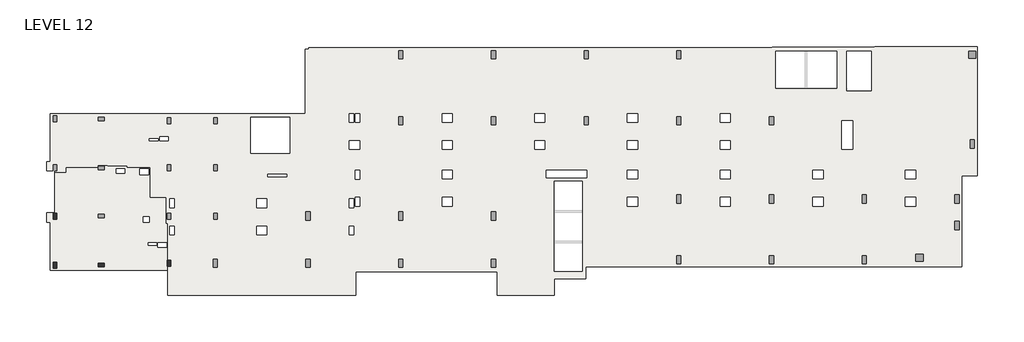
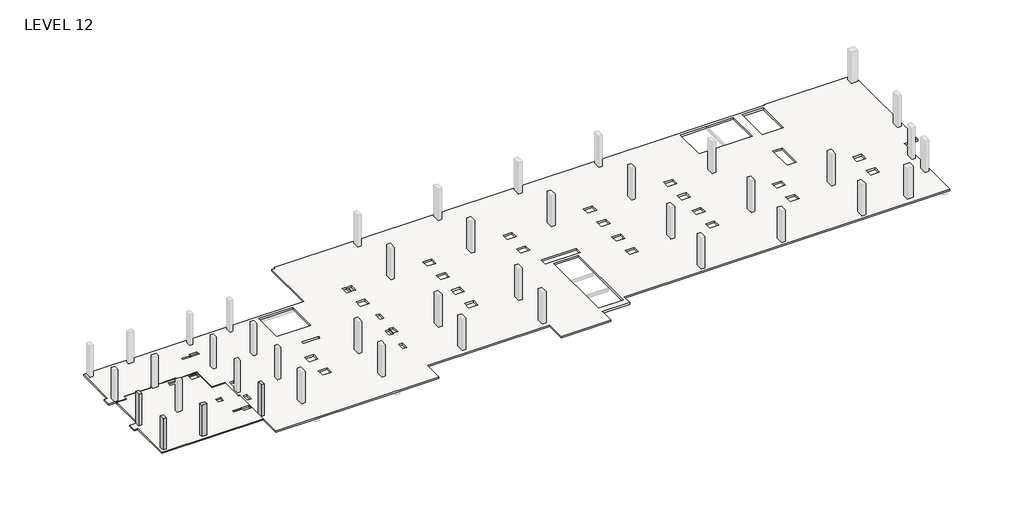
# One storey, part 1 of 2: 4 columns, 2 slabs.
"""IFC4 building model written with IfcOpenShell, lengths in millimetres."""

import ifcopenshell
import ifcopenshell.guid

model = None  # the IFC model being written
_history = None  # IfcOwnerHistory: only IFC2X3 demands one
_inside = {}  # id of a spatial element -> (the spatial element, [elements in it])
_under = {}  # id of a project, library or spatial element -> (it, [spatial elements below it])
_declared = {}  # id of a project -> (the project, [libraries it declares])
_typed = {}  # id of a type object -> (the type object, [elements of that type])
_made_of = {}  # id of a material, layer set ... -> (it, [elements and type objects made of it])


def new_model(schema):
    """Start an empty IFC model of exactly this schema.

    Asked for "IFC4X3", IfcOpenShell would pick the latest addendum, in which some entities
    have other attributes; the version numbers below select the first issue.
    IFC2X3 requires an IfcOwnerHistory on every rooted entity: one is made here for all.
    """
    global model, _history
    if schema == "IFC4X3":
        model = ifcopenshell.file(schema_version=(4, 3, 0, 0))
    else:
        model = ifcopenshell.file(schema=schema)
    _inside.clear()
    _under.clear()
    _declared.clear()
    _typed.clear()
    _made_of.clear()
    _history = None
    if model.schema == "IFC2X3":
        org = make("IfcOrganization", Name="unknown")
        user = make(
            "IfcPersonAndOrganization",
            ThePerson=make("IfcPerson", FamilyName="unknown"),
            TheOrganization=org,
        )
        app = make(
            "IfcApplication",
            ApplicationDeveloper=org,
            Version="unknown",
            ApplicationFullName="unknown",
            ApplicationIdentifier="unknown",
        )
        _history = make(
            "IfcOwnerHistory",
            OwningUser=user,
            OwningApplication=app,
            ChangeAction="ADDED",
            CreationDate=0,
        )
    return model


def make(cls, **values):
    """One entity of the class cls with the attributes given. An attribute that is None is left unset."""
    return model.create_entity(
        cls, **{name: value for name, value in values.items() if value is not None}
    )


def rooted(cls, **values):
    """An entity with a GlobalId (a new one), such as an element, a storey or a relation."""
    return make(cls, GlobalId=ifcopenshell.guid.new(), OwnerHistory=_history, **values)


def si_unit(unit_type, name, prefix=None):
    """IfcSIUnit, for example si_unit("LENGTHUNIT", "METRE", prefix="MILLI")."""
    return make("IfcSIUnit", UnitType=unit_type, Prefix=prefix, Name=name)


def assignment(units):
    """IfcUnitAssignment: the units of a project."""
    return None if units is None else make("IfcUnitAssignment", Units=units)


def point(xyz):
    """IfcCartesianPoint."""
    return None if xyz is None else make("IfcCartesianPoint", Coordinates=xyz)


def direction(xyz):
    """IfcDirection."""
    return None if xyz is None else make("IfcDirection", DirectionRatios=xyz)


def frame(location, z_axis=None, x_axis=None):
    """IfcAxis2Placement3D, a coordinate frame: its origin and axes. An axis left out is left unset."""
    return make(
        "IfcAxis2Placement3D",
        Location=point(location),
        Axis=direction(z_axis),
        RefDirection=direction(x_axis),
    )


def origin():
    """The frame at (0, 0, 0) with its axes left unset."""
    return frame((0.0, 0.0, 0.0))


def place(relative_to, where):
    """IfcLocalPlacement: puts the frame where relative to a parent placement (None: the world)."""
    return make(
        "IfcLocalPlacement", PlacementRelTo=relative_to, RelativePlacement=where
    )


def context(
    kind, dimensions, precision=None, world=None, true_north=None, identifier=None
):
    """IfcGeometricRepresentationContext, for example the 3D "Model" context."""
    return make(
        "IfcGeometricRepresentationContext",
        ContextIdentifier=identifier,
        ContextType=kind,
        CoordinateSpaceDimension=dimensions,
        Precision=precision,
        WorldCoordinateSystem=world,
        TrueNorth=true_north,
    )


def project(units=None, contexts=None):
    """IfcProject with its units and contexts."""
    return rooted(
        "IfcProject",
        Name="project",
        RepresentationContexts=contexts,
        UnitsInContext=assignment(units),
    )


def spatial(cls, under=None, at=None, **own):
    """A site, building, storey or space (cls), placed at a placement, below another one or the project."""
    s = rooted(cls, ObjectPlacement=at, **own)
    if under is not None:
        _under.setdefault(under.id(), (under, []))[1].append(s)
    return s


def polyline(points):
    """IfcPolyline through the points."""
    return make("IfcPolyline", Points=[point(p) for p in points])


def outline(outer, holes=None, kind="AREA"):
    """IfcArbitraryClosedProfileDef: a profile drawn as a closed curve; with holes, ...WithVoids."""
    if holes is None:
        return make("IfcArbitraryClosedProfileDef", ProfileType=kind, OuterCurve=outer)
    return make(
        "IfcArbitraryProfileDefWithVoids",
        ProfileType=kind,
        OuterCurve=outer,
        InnerCurves=holes,
    )


def extrude(swept, where, along, depth):
    """IfcExtrudedAreaSolid: the profile swept, set in the frame where, extruded along a direction by depth."""
    return make(
        "IfcExtrudedAreaSolid",
        SweptArea=swept,
        Position=where,
        ExtrudedDirection=direction(along),
        Depth=depth,
    )


def faces_of(points, faces, orient=None, outer=None):
    """IfcFace entities. A face is a list of loops; a loop is a list of indices into points, from 0.

    orient and outer hold one flag for each loop. By default every Orientation is true, the
    first loop of a face is its IfcFaceOuterBound and the others are IfcFaceBound.
    """
    made = []
    for i, loops in enumerate(faces):
        bounds = []
        for j, loop in enumerate(loops):
            is_outer = j == 0 if outer is None else outer[i][j]
            bounds.append(
                make(
                    "IfcFaceOuterBound" if is_outer else "IfcFaceBound",
                    Bound=make("IfcPolyLoop", Polygon=[points[k] for k in loop]),
                    Orientation=True if orient is None else orient[i][j],
                )
            )
        made.append(make("IfcFace", Bounds=bounds))
    return made


def faceted_brep(points, faces, orient=None, outer=None, voids=None):
    """IfcFacetedBrep: a solid bounded by flat faces; with voids (closed shells), ...WithVoids."""
    shared = [point(p) for p in points]
    hull = make("IfcClosedShell", CfsFaces=faces_of(shared, faces, orient, outer))
    if voids is None:
        return make("IfcFacetedBrep", Outer=hull)
    return make(
        "IfcFacetedBrepWithVoids",
        Outer=hull,
        Voids=[
            make(cls, CfsFaces=faces_of(shared, fs, o, b)) for cls, fs, o, b in voids
        ],
    )


def shape(context_of_items, identifier, shape_type, items):
    """IfcShapeRepresentation: the items that make up one representation, for example the "Body"."""
    return make(
        "IfcShapeRepresentation",
        ContextOfItems=context_of_items,
        RepresentationIdentifier=identifier,
        RepresentationType=shape_type,
        Items=items,
    )


def made_of(thing, what):
    """Note that an element or type object is made of a material, layer set ...; save() writes the relation."""
    if what is not None:
        _made_of.setdefault(what.id(), (what, []))[1].append(thing)
    return thing


def element(
    cls,
    number,
    at=None,
    inside=None,
    cuts=None,
    type_object=None,
    material=None,
    context=None,
    identifier="Body",
    shape_type=None,
    held_by="IfcProductDefinitionShape",
    body=None,
    shapes=None,
    **own,
):
    """One element of the class cls, such as IfcWall. Its Tag is "e" and its number.

    at: its placement. inside: the storey or other place that contains it. cuts: it is an
    opening in that element (IfcRelVoidsElement). A single representation is given by context,
    identifier, shape_type and body (its items); several are given by shapes. held_by: the class
    of the entity that holds the representations. save() writes the other relations.
    """
    e = rooted(cls, Tag="e%d" % number, ObjectPlacement=at, **own)
    if body is not None:
        shapes = [shape(context, identifier, shape_type, body)]
    if shapes is not None:
        e.Representation = make(held_by, Representations=shapes)
    if inside is not None:
        _inside.setdefault(inside.id(), (inside, []))[1].append(e)
    if cuts is not None:
        rooted(
            "IfcRelVoidsElement", RelatingBuildingElement=cuts, RelatedOpeningElement=e
        )
    if type_object is not None:
        _typed.setdefault(type_object.id(), (type_object, []))[1].append(e)
    return made_of(e, material)


def aggregate(whole, parts):
    """IfcRelAggregates: a whole, such as a stair, and the parts it consists of."""
    return rooted("IfcRelAggregates", RelatingObject=whole, RelatedObjects=parts)


def save(model, path):
    """Write the relations noted so far, then the file.

    IfcRelAggregates (storeys below a building ...), IfcRelContainedInSpatialStructure (elements
    in a storey), IfcRelDefinesByType, IfcRelAssociatesMaterial and IfcRelDeclares: one each for
    every whole, place, type object, material and project.
    """
    for whole, parts in _under.values():
        aggregate(whole, parts)
    for where, things in _inside.values():
        rooted(
            "IfcRelContainedInSpatialStructure",
            RelatedElements=things,
            RelatingStructure=where,
        )
    for kind, things in _typed.values():
        rooted("IfcRelDefinesByType", RelatedObjects=things, RelatingType=kind)
    for what, things in _made_of.values():
        rooted("IfcRelAssociatesMaterial", RelatedObjects=things, RelatingMaterial=what)
    for by, libraries in _declared.values():
        rooted("IfcRelDeclares", RelatingContext=by, RelatedDefinitions=libraries)
    model.write(path)


model = new_model("IFC4")

# Units and contexts
model_context = context("Model", 3, world=origin())
ifc_project = project(units=[si_unit("LENGTHUNIT", "METRE", prefix="MILLI")], contexts=[model_context])

# Site, building, storey
site = spatial("IfcSite", under=ifc_project)
building = spatial("IfcBuilding", under=site)
storey = spatial("IfcBuildingStorey", under=building, Name="LEVEL 12", Elevation=35966.4)

# Columns
placement = place(None, origin())
element("IfcColumn", 1, ObjectType="UC Concrete-Rectangular-Column : 12 x 20", at=placement, inside=storey, context=model_context, shape_type="SweptSolid", body=[
    extrude(outline(polyline([(-12613.7610058, -29189.8962158), (-12613.7610058, -29697.8962158), (-12918.5610058, -29697.8962158), (-12918.5610058, -29189.8962158), (-12613.7610058, -29189.8962158)])), frame((0.0, 0.0, 35966.4), z_axis=(0.0, 0.0, 1.0), x_axis=(1.0, 0.0, 0.0)), (0.0, 0.0, 1.0), 3276.6),
])
element("IfcColumn", 2, ObjectType="UC Concrete-Rectangular-Column : 12 x 20", at=placement, inside=storey, context=model_context, shape_type="SweptSolid", body=[
    extrude(outline(polyline([(-12613.7610058, -33380.9107149), (-12613.7610058, -33888.9107149), (-12918.5610058, -33888.9107149), (-12918.5610058, -33380.9107149), (-12613.7610058, -33380.9107149)])), frame((0.0, 0.0, 35966.4), z_axis=(0.0, 0.0, 1.0), x_axis=(1.0, 0.0, 0.0)), (0.0, 0.0, 1.0), 3276.6),
])
element("IfcColumn", 3, ObjectType="UC Concrete-Rectangular-Column : 12 x 20", at=placement, inside=storey, context=model_context, shape_type="SweptSolid", body=[
    extrude(outline(polyline([(-9057.7610058, -33482.5107149), (-8549.7610058, -33482.5107149), (-8549.7610058, -33787.3107149), (-9057.7610058, -33787.3107149), (-9057.7610058, -33482.5107149)])), frame((0.0, 0.0, 35966.4), z_axis=(0.0, 0.0, 1.0), x_axis=(1.0, 0.0, 0.0)), (0.0, 0.0, 1.0), 3276.6),
])
element("IfcColumn", 4, ObjectType="UC Concrete-Rectangular-Column : 12 x 20", at=placement, inside=storey, context=model_context, shape_type="SweptSolid", body=[
    extrude(outline(polyline([(-2860.1610058, -33228.5107149), (-2860.1610058, -33736.5107149), (-3164.9610058, -33736.5107149), (-3164.9610058, -33228.5107149), (-2860.1610058, -33228.5107149)])), frame((0.0, 0.0, 35966.4), z_axis=(0.0, 0.0, 1.0), x_axis=(1.0, 0.0, 0.0)), (0.0, 0.0, 1.0), 3276.6),
])

# Slabs
element("IfcSlab", 5, ObjectType="5\" slab", at=placement, inside=storey, context=model_context, shape_type="Brep", body=[
    faceted_brep([(-9118.0860058, -25260.8627141, 35788.6), (-9118.0860058, -25098.93584, 35788.6), (-8268.6383331, -25098.93584, 35788.6), (-8268.6383331, -25140.21084, 35788.6), (-6595.4133331, -25140.21084, 35788.6), (-6595.4133331, -25260.8627141, 35788.6), (-4612.7610058, -25260.8627141, 35788.6), (-4612.7610058, -27843.7107149, 35788.6), (-3269.7360058, -27843.7107149, 35788.6), (-3269.7360058, -30059.8703131, 35788.6), (-3120.5110058, -30059.8703131, 35788.6), (-3120.5110058, -34060.3310305, 35788.6), (-13155.4513218, -34060.3310305, 35788.6), (-13155.4513218, -29958.2607149, 35788.6), (-13483.7110058, -29958.2607149, 35788.6), (-13483.7110058, -29183.5607149, 35788.6), (-12766.1169468, -29183.5607149, 35788.6), (-12766.1169468, -25710.1107149, 35788.6), (-11835.8860058, -25710.1107149, 35788.6), (-11835.8860058, -25260.8627141, 35788.6), (-4736.5860058, -25391.0377141, 35788.6), (-5495.4110058, -25391.0377141, 35788.6), (-5495.4110058, -25894.3063579, 35788.6), (-4736.5860058, -25894.3063579, 35788.6), (-3955.5318136, -31734.6434324, 35788.6), (-3955.5318136, -32129.9453743, 35788.6), (-3212.5860058, -32129.9453743, 35788.6), (-3212.5860058, -31734.6434324, 35788.6), (-7516.3006019, -25401.3473693, 35788.6), (-7516.3006019, -25776.0291377, 35788.6), (-6782.8756019, -25776.0291377, 35788.6), (-6782.8756019, -25401.3473693, 35788.6), (-4809.6068136, -31744.9675477, 35788.6), (-4809.6068136, -31933.1120762, 35788.6), (-4050.7818136, -31933.1120762, 35788.6), (-4050.7818136, -31744.9675477, 35788.6), (-5207.5557798, -29505.837636, 35788.6), (-5207.5557798, -29980.4953131, 35788.6), (-4708.0110058, -29980.4953131, 35788.6), (-4708.0110058, -29505.837636, 35788.6), (-9118.0860058, -25098.93584, 35915.6), (-9118.0860058, -25260.8627141, 35915.6), (-11835.8860058, -25260.8627141, 35915.6), (-11835.8860058, -25710.1107149, 35915.6), (-12766.1169468, -25710.1107149, 35915.6), (-12766.1169468, -29183.5607149, 35915.6), (-13483.7110058, -29183.5607149, 35915.6), (-13483.7110058, -29958.2607149, 35915.6), (-13155.4513218, -29958.2607149, 35915.6), (-13155.4513218, -34060.3310305, 35915.6), (-3120.5110058, -34060.3310305, 35915.6), (-3120.5110058, -33736.5107149, 35915.6), (-3120.5110058, -33228.5107149, 35915.6), (-3120.5110058, -30059.8703131, 35915.6), (-3269.7360058, -30059.8703131, 35915.6), (-3269.7360058, -27843.7107149, 35915.6), (-4612.7610058, -27843.7107149, 35915.6), (-4612.7610058, -25260.8627141, 35915.6), (-6595.4133331, -25260.8627141, 35915.6), (-6595.4133331, -25140.21084, 35915.6), (-8268.6383331, -25140.21084, 35915.6), (-8268.6383331, -25098.93584, 35915.6), (-5495.4110058, -25391.0377141, 35915.6), (-4736.5860058, -25391.0377141, 35915.6), (-4736.5860058, -25894.3063579, 35915.6), (-5495.4110058, -25894.3063579, 35915.6), (-3955.5318136, -32129.9453743, 35915.6), (-3955.5318136, -31734.6434324, 35915.6), (-3212.5860058, -31734.6434324, 35915.6), (-3212.5860058, -32129.9453743, 35915.6), (-7516.3006019, -25776.0291377, 35915.6), (-7516.3006019, -25401.3473693, 35915.6), (-6782.8756019, -25401.3473693, 35915.6), (-6782.8756019, -25776.0291377, 35915.6), (-4809.6068136, -31933.1120762, 35915.6), (-4809.6068136, -31744.9675477, 35915.6), (-4050.7818136, -31744.9675477, 35915.6), (-4050.7818136, -31933.1120762, 35915.6), (-5207.5557798, -29980.4953131, 35915.6), (-5207.5557798, -29505.837636, 35915.6), (-4708.0110058, -29505.837636, 35915.6), (-4708.0110058, -29980.4953131, 35915.6)], [[[0, 1, 2, 3, 4, 5, 6, 7, 8, 9, 10, 11, 12, 13, 14, 15, 16, 17, 18, 19], [20, 21, 22, 23], [24, 25, 26, 27], [28, 29, 30, 31], [32, 33, 34, 35], [36, 37, 38, 39]], [[40, 41, 42, 43, 44, 45, 46, 47, 48, 49, 50, 51, 52, 53, 54, 55, 56, 57, 58, 59, 60, 61], [62, 63, 64, 65], [66, 67, 68, 69], [70, 71, 72, 73], [74, 75, 76, 77], [78, 79, 80, 81]], [[1, 0, 41, 40]], [[2, 1, 40, 61]], [[3, 2, 61, 60]], [[4, 3, 60, 59]], [[5, 4, 59, 58]], [[6, 5, 58, 57]], [[7, 6, 57, 56]], [[8, 7, 56, 55]], [[9, 8, 55, 54]], [[10, 9, 54, 53]], [[11, 10, 53, 52, 51, 50]], [[12, 11, 50, 49]], [[13, 12, 49, 48]], [[16, 15, 46, 45]], [[17, 16, 45, 44]], [[18, 17, 44, 43]], [[19, 18, 43, 42]], [[0, 19, 42, 41]], [[14, 13, 48, 47]], [[15, 14, 47, 46]], [[20, 63, 62, 21]], [[21, 62, 65, 22]], [[22, 65, 64, 23]], [[63, 20, 23, 64]], [[24, 67, 66, 25]], [[25, 66, 69, 26]], [[26, 69, 68, 27]], [[67, 24, 27, 68]], [[28, 71, 70, 29]], [[29, 70, 73, 30]], [[30, 73, 72, 31]], [[71, 28, 31, 72]], [[32, 75, 74, 33]], [[33, 74, 77, 34]], [[34, 77, 76, 35]], [[75, 32, 35, 76]], [[36, 79, 78, 37]], [[37, 78, 81, 38]], [[38, 81, 80, 39]], [[79, 36, 39, 80]]]),
])
element("IfcSlab", 6, ObjectType="7\" Concrete", at=placement, inside=storey, context=model_context, shape_type="Brep", body=[
    faceted_brep([(57329.9014942, -15029.4107149, 35788.6), (57329.9014942, -14953.2107149, 35788.6), (66100.8383695, -14953.2107149, 35788.6), (66100.8383695, -25989.5107149, 35788.6), (64773.6889942, -25989.5107149, 35788.6), (64773.6889942, -33774.6107149, 35788.6), (32604.5889942, -33774.6107149, 35788.6), (32604.5889942, -34790.6107149, 35788.6), (29915.3639942, -34790.6107149, 35788.6), (29915.3639942, -36213.0107149, 35788.6), (25029.0393065, -36213.0107149, 35788.6), (25029.0393065, -34219.1107149, 35788.6), (12964.0386818, -34219.1107149, 35788.6), (12964.0386818, -36213.0107149, 35788.6), (9077.8389942, -36213.0107149, 35788.6), (8671.4389942, -36213.0107149, 35788.6), (1153.0389942, -36213.0107149, 35788.6), (746.6389942, -36213.0107149, 35788.6), (-3120.5110058, -36213.0107149, 35788.6), (-3120.5110058, -30059.8703131, 35788.6), (-3269.7360058, -30059.8703131, 35788.6), (-3269.7360058, -27843.7107149, 35788.6), (-4612.7610058, -27843.7107149, 35788.6), (-4612.7610058, -25260.8627141, 35788.6), (-6595.4133331, -25260.8627141, 35788.6), (-6595.4133331, -25140.21084, 35788.6), (-8268.6383331, -25140.21084, 35788.6), (-8268.6383331, -25098.93584, 35788.6), (-9118.0860058, -25098.93584, 35788.6), (-9118.0860058, -25260.8627141, 35788.6), (-11835.8860058, -25260.8627141, 35788.6), (-11835.8860058, -25710.1107149, 35788.6), (-12766.1169468, -25710.1107149, 35788.6), (-12766.1169468, -25589.4607149, 35788.6), (-13483.7110058, -25589.4607149, 35788.6), (-13483.7110058, -24814.7607149, 35788.6), (-13155.4513218, -24814.7607149, 35788.6), (-13155.4513218, -20712.6903994, 35788.6), (797.4389942, -20712.6903994, 35788.6), (8620.6389942, -20712.6903994, 35788.6), (8620.6389942, -15197.6857149, 35788.6), (8925.4389942, -15197.6857149, 35788.6), (8925.4389942, -15054.8107149, 35788.6), (48541.5014942, -15054.8107149, 35788.6), (48541.5014942, -15029.4107149, 35788.6), (54078.7014942, -15334.2107149, 35788.6), (48846.3014942, -15334.2107149, 35788.6), (48846.3014942, -18511.7121146, 35788.6), (54078.7014942, -18511.7121146, 35788.6), (29912.1889942, -34181.7272222, 35788.6), (32299.7889942, -34181.7272222, 35788.6), (32299.7889942, -26487.2692077, 35788.6), (29912.1889942, -26487.2692077, 35788.6), (3972.4389942, -21017.4903994, 35788.6), (3972.4389942, -24095.6232149, 35788.6), (7325.2389942, -24095.6232149, 35788.6), (7325.2389942, -21017.4903994, 35788.6), (57025.1014942, -15334.2107149, 35788.6), (54933.1413578, -15334.2107149, 35788.6), (54933.1413578, -18744.1607149, 35788.6), (57025.1014942, -18744.1607149, 35788.6), (29123.2162484, -20696.7857149, 35788.6), (28250.0617399, -20696.7857149, 35788.6), (28250.0617399, -21427.0315227, 35788.6), (29123.2162484, -21427.0315227, 35788.6), (29123.2329503, -23011.3607149, 35788.6), (28250.045038, -23011.3607149, 35788.6), (28250.045038, -23744.7857149, 35788.6), (29123.2329503, -23744.7857149, 35788.6), (37048.0162484, -20696.7857149, 35788.6), (36174.8617399, -20696.7857149, 35788.6), (36174.8617399, -21427.0315227, 35788.6), (37048.0162484, -21427.0315227, 35788.6), (37048.0329503, -23011.3607149, 35788.6), (36174.845038, -23011.3607149, 35788.6), (36174.845038, -23744.7857149, 35788.6), (37048.0329503, -23744.7857149, 35788.6), (37048.0329503, -25541.8357149, 35788.6), (36174.8784418, -25541.8357149, 35788.6), (36174.8784418, -26272.0815227, 35788.6), (37048.0329503, -26272.0815227, 35788.6), (37048.0496522, -27856.4107149, 35788.6), (36174.8617399, -27856.4107149, 35788.6), (36174.8617399, -28589.8357149, 35788.6), (37048.0496522, -28589.8357149, 35788.6), (44972.8162484, -20696.7857149, 35788.6), (44099.6617399, -20696.7857149, 35788.6), (44099.6617399, -21427.0315227, 35788.6), (44972.8162484, -21427.0315227, 35788.6), (44972.8329503, -23011.3607149, 35788.6), (44099.645038, -23011.3607149, 35788.6), (44099.645038, -23744.7857149, 35788.6), (44972.8329503, -23744.7857149, 35788.6), (44972.8329503, -25541.8357149, 35788.6), (44099.6784418, -25541.8357149, 35788.6), (44099.6784418, -26272.0815227, 35788.6), (44972.8329503, -26272.0815227, 35788.6), (44972.8496522, -27856.4107149, 35788.6), (44099.6617399, -27856.4107149, 35788.6), (44099.6617399, -28589.8357149, 35788.6), (44972.8496522, -28589.8357149, 35788.6), (55421.7306924, -21315.9107149, 35788.6), (54513.6767085, -21315.9107149, 35788.6), (54513.6767085, -23754.3107149, 35788.6), (55421.7306924, -23754.3107149, 35788.6), (52897.6329503, -25541.8357149, 35788.6), (52024.4784418, -25541.8357149, 35788.6), (52024.4784418, -26272.0815227, 35788.6), (52897.6329503, -26272.0815227, 35788.6), (52897.6496522, -27856.4107149, 35788.6), (52024.4617399, -27856.4107149, 35788.6), (52024.4617399, -28589.8357149, 35788.6), (52897.6496522, -28589.8357149, 35788.6), (60822.4329503, -25541.8357149, 35788.6), (59949.2784418, -25541.8357149, 35788.6), (59949.2784418, -26272.0815227, 35788.6), (60822.4329503, -26272.0815227, 35788.6), (60822.4496522, -27856.4107149, 35788.6), (59949.2617399, -27856.4107149, 35788.6), (59949.2617399, -28589.8357149, 35788.6), (60822.4496522, -28589.8357149, 35788.6), (21198.4162484, -20696.7857149, 35788.6), (20325.2617399, -20696.7857149, 35788.6), (20325.2617399, -21427.0315227, 35788.6), (21198.4162484, -21427.0315227, 35788.6), (21198.4329503, -23011.3607149, 35788.6), (20325.245038, -23011.3607149, 35788.6), (20325.245038, -23744.7857149, 35788.6), (21198.4329503, -23744.7857149, 35788.6), (21198.4329503, -25540.2600871, 35788.6), (20325.245038, -25540.2600871, 35788.6), (20325.245038, -26273.6850871, 35788.6), (21198.4329503, -26273.6850871, 35788.6), (21198.4329503, -27856.4247435, 35788.6), (20325.245038, -27856.4247435, 35788.6), (20325.245038, -28589.8497435, 35788.6), (21198.4329503, -28589.8497435, 35788.6), (13273.6162484, -23011.3747435, 35788.6), (12400.4283362, -23011.3747435, 35788.6), (12400.4283362, -23744.7997435, 35788.6), (13273.6162484, -23744.7997435, 35788.6), (13273.6329503, -25549.7872435, 35788.6), (12898.9511818, -25549.7872435, 35788.6), (12898.9511818, -26283.2122435, 35788.6), (13273.6329503, -26283.2122435, 35788.6), (13273.6329503, -27858.0306162, 35788.6), (12898.9511818, -27858.0306162, 35788.6), (12898.9511818, -28591.4556162, 35788.6), (13273.6329503, -28591.4556162, 35788.6), (12775.1350013, -27980.26602, 35788.6), (12400.4532328, -27980.26602, 35788.6), (12400.4532328, -28713.69102, 35788.6), (12775.1350013, -28713.69102, 35788.6), (12775.1350013, -30296.4143396, 35788.6), (12400.4532328, -30296.4143396, 35788.6), (12400.4532328, -31029.8393396, 35788.6), (12775.1350013, -31029.8393396, 35788.6), (5348.8159361, -30296.4143396, 35788.6), (4475.6620523, -30296.4143396, 35788.6), (4475.6620523, -31029.8393396, 35788.6), (5348.8159361, -31029.8393396, 35788.6), (-2575.9840639, -30297.9899072, 35788.6), (-2936.3610058, -30297.9899072, 35788.6), (-2936.3610058, -31028.2357149, 35788.6), (-2575.9840639, -31028.2357149, 35788.6), (-2575.9673621, -27980.2327488, 35788.6), (-2936.3610058, -27980.2327488, 35788.6), (-2936.3610058, -28713.6577488, 35788.6), (-2575.9673621, -28713.6577488, 35788.6), (13273.6245994, -20696.7857149, 35788.6), (12898.9428309, -20696.7857149, 35788.6), (12898.9428309, -21427.0315227, 35788.6), (13273.6245994, -21427.0315227, 35788.6), (12775.1351575, -20696.7857149, 35788.6), (12400.453389, -20696.7857149, 35788.6), (12400.453389, -21427.0315227, 35788.6), (12775.1351575, -21427.0315227, 35788.6), (-4685.7818136, -22839.9093537, 35788.6), (-4685.7818136, -23025.6779974, 35788.6), (-3926.9568136, -23025.6779974, 35788.6), (-3926.9568136, -22839.9093537, 35788.6), (29254.9639942, -25513.2607149, 35788.6), (29254.9639942, -26182.4692077, 35788.6), (32693.4889942, -26182.4692077, 35788.6), (32693.4889942, -25513.2607149, 35788.6), (7044.9556867, -25881.5621481, 35788.6), (5407.1871152, -25881.5621481, 35788.6), (5407.1871152, -26084.7621481, 35788.6), (7044.9556867, -26084.7621481, 35788.6), (5348.8159361, -27981.0375273, 35788.6), (4475.6620523, -27981.0375273, 35788.6), (4475.6620523, -28714.4625273, 35788.6), (5348.8159361, -28714.4625273, 35788.6), (-3826.9323811, -22647.0361423, 35788.6), (-3826.9323811, -23021.7179107, 35788.6), (-3093.5073811, -23021.7179107, 35788.6), (-3093.5073811, -22647.0361423, 35788.6), (57329.9014942, -14953.2107149, 35966.4), (57329.9014942, -15029.4107149, 35966.4), (48541.5014942, -15029.4107149, 35966.4), (48541.5014942, -15054.8107149, 35966.4), (8925.4389942, -15054.8107149, 35966.4), (8925.4389942, -15197.6857149, 35966.4), (8620.6389942, -15197.6857149, 35966.4), (8620.6389942, -20712.6903994, 35966.4), (-13155.4513218, -20712.6903994, 35966.4), (-13155.4513218, -24814.7607149, 35966.4), (-13483.7110058, -24814.7607149, 35966.4), (-13483.7110058, -25589.4607149, 35966.4), (-12766.1169468, -25589.4607149, 35966.4), (-12766.1169468, -25710.1107149, 35966.4), (-11835.8860058, -25710.1107149, 35966.4), (-11835.8860058, -25260.8627141, 35966.4), (-9118.0860058, -25260.8627141, 35966.4), (-9118.0860058, -25098.93584, 35966.4), (-8268.6383331, -25098.93584, 35966.4), (-8268.6383331, -25140.21084, 35966.4), (-6595.4133331, -25140.21084, 35966.4), (-6595.4133331, -25260.8627141, 35966.4), (-4612.7610058, -25260.8627141, 35966.4), (-4612.7610058, -27843.7107149, 35966.4), (-3269.7360058, -27843.7107149, 35966.4), (-3269.7360058, -30059.8703131, 35966.4), (-3120.5110058, -30059.8703131, 35966.4), (-3120.5110058, -33228.5107149, 35966.4), (-3120.5110058, -33736.5107149, 35966.4), (-3120.5110058, -36213.0107149, 35966.4), (12964.0386818, -36213.0107149, 35966.4), (12964.0386818, -34219.1107149, 35966.4), (25029.0393065, -34219.1107149, 35966.4), (25029.0393065, -36213.0107149, 35966.4), (29915.3639942, -36213.0107149, 35966.4), (29915.3639942, -34790.6107149, 35966.4), (32604.5889942, -34790.6107149, 35966.4), (32604.5889942, -33774.6107149, 35966.4), (64773.6889942, -33774.6107149, 35966.4), (64773.6889942, -25989.5107149, 35966.4), (66100.8383695, -25989.5107149, 35966.4), (66100.8383695, -14953.2107149, 35966.4), (48846.3014942, -15334.2107149, 35966.4), (54078.7014942, -15334.2107149, 35966.4), (54078.7014942, -18511.7121146, 35966.4), (48846.3014942, -18511.7121146, 35966.4), (32299.7889942, -34181.7272222, 35966.4), (29912.1889942, -34181.7272222, 35966.4), (29912.1889942, -26487.2692077, 35966.4), (32299.7889942, -26487.2692077, 35966.4), (3972.4389942, -24095.6232149, 35966.4), (3972.4389942, -21017.4903994, 35966.4), (7325.2389942, -21017.4903994, 35966.4), (7325.2389942, -24095.6232149, 35966.4), (54933.1413578, -15334.2107149, 35966.4), (57025.1014942, -15334.2107149, 35966.4), (57025.1014942, -18744.1607149, 35966.4), (54933.1413578, -18744.1607149, 35966.4), (28250.0617399, -20696.7857149, 35966.4), (29123.2162484, -20696.7857149, 35966.4), (29123.2162484, -21427.0315227, 35966.4), (28250.0617399, -21427.0315227, 35966.4), (28250.045038, -23011.3607149, 35966.4), (29123.2329503, -23011.3607149, 35966.4), (29123.2329503, -23744.7857149, 35966.4), (28250.045038, -23744.7857149, 35966.4), (36174.8617399, -20696.7857149, 35966.4), (37048.0162484, -20696.7857149, 35966.4), (37048.0162484, -21427.0315227, 35966.4), (36174.8617399, -21427.0315227, 35966.4), (36174.845038, -23011.3607149, 35966.4), (37048.0329503, -23011.3607149, 35966.4), (37048.0329503, -23744.7857149, 35966.4), (36174.845038, -23744.7857149, 35966.4), (36174.8784418, -25541.8357149, 35966.4), (37048.0329503, -25541.8357149, 35966.4), (37048.0329503, -26272.0815227, 35966.4), (36174.8784418, -26272.0815227, 35966.4), (36174.8617399, -27856.4107149, 35966.4), (37048.0496522, -27856.4107149, 35966.4), (37048.0496522, -28589.8357149, 35966.4), (36174.8617399, -28589.8357149, 35966.4), (44099.6617399, -20696.7857149, 35966.4), (44972.8162484, -20696.7857149, 35966.4), (44972.8162484, -21427.0315227, 35966.4), (44099.6617399, -21427.0315227, 35966.4), (44099.645038, -23011.3607149, 35966.4), (44972.8329503, -23011.3607149, 35966.4), (44972.8329503, -23744.7857149, 35966.4), (44099.645038, -23744.7857149, 35966.4), (44099.6784418, -25541.8357149, 35966.4), (44972.8329503, -25541.8357149, 35966.4), (44972.8329503, -26272.0815227, 35966.4), (44099.6784418, -26272.0815227, 35966.4), (44099.6617399, -27856.4107149, 35966.4), (44972.8496522, -27856.4107149, 35966.4), (44972.8496522, -28589.8357149, 35966.4), (44099.6617399, -28589.8357149, 35966.4), (54513.6767085, -21315.9107149, 35966.4), (55421.7306924, -21315.9107149, 35966.4), (55421.7306924, -23754.3107149, 35966.4), (54513.6767085, -23754.3107149, 35966.4), (52024.4784418, -25541.8357149, 35966.4), (52897.6329503, -25541.8357149, 35966.4), (52897.6329503, -26272.0815227, 35966.4), (52024.4784418, -26272.0815227, 35966.4), (52024.4617399, -27856.4107149, 35966.4), (52897.6496522, -27856.4107149, 35966.4), (52897.6496522, -28589.8357149, 35966.4), (52024.4617399, -28589.8357149, 35966.4), (59949.2784418, -25541.8357149, 35966.4), (60822.4329503, -25541.8357149, 35966.4), (60822.4329503, -26272.0815227, 35966.4), (59949.2784418, -26272.0815227, 35966.4), (59949.2617399, -27856.4107149, 35966.4), (60822.4496522, -27856.4107149, 35966.4), (60822.4496522, -28589.8357149, 35966.4), (59949.2617399, -28589.8357149, 35966.4), (20325.2617399, -20696.7857149, 35966.4), (21198.4162484, -20696.7857149, 35966.4), (21198.4162484, -21427.0315227, 35966.4), (20325.2617399, -21427.0315227, 35966.4), (20325.245038, -23011.3607149, 35966.4), (21198.4329503, -23011.3607149, 35966.4), (21198.4329503, -23744.7857149, 35966.4), (20325.245038, -23744.7857149, 35966.4), (20325.245038, -25540.2600871, 35966.4), (21198.4329503, -25540.2600871, 35966.4), (21198.4329503, -26273.6850871, 35966.4), (20325.245038, -26273.6850871, 35966.4), (20325.245038, -27856.4247435, 35966.4), (21198.4329503, -27856.4247435, 35966.4), (21198.4329503, -28589.8497435, 35966.4), (20325.245038, -28589.8497435, 35966.4), (12400.4283362, -23011.3747435, 35966.4), (13273.6162484, -23011.3747435, 35966.4), (13273.6162484, -23744.7997435, 35966.4), (12400.4283362, -23744.7997435, 35966.4), (12898.9511818, -25549.7872435, 35966.4), (13273.6329503, -25549.7872435, 35966.4), (13273.6329503, -26283.2122435, 35966.4), (12898.9511818, -26283.2122435, 35966.4), (12898.9511818, -27858.0306162, 35966.4), (13273.6329503, -27858.0306162, 35966.4), (13273.6329503, -28591.4556162, 35966.4), (12898.9511818, -28591.4556162, 35966.4), (12400.4532328, -27980.26602, 35966.4), (12775.1350013, -27980.26602, 35966.4), (12775.1350013, -28713.69102, 35966.4), (12400.4532328, -28713.69102, 35966.4), (12400.4532328, -30296.4143396, 35966.4), (12775.1350013, -30296.4143396, 35966.4), (12775.1350013, -31029.8393396, 35966.4), (12400.4532328, -31029.8393396, 35966.4), (4475.6620523, -30296.4143396, 35966.4), (5348.8159361, -30296.4143396, 35966.4), (5348.8159361, -31029.8393396, 35966.4), (4475.6620523, -31029.8393396, 35966.4), (-2936.3610058, -30297.9899072, 35966.4), (-2575.9840639, -30297.9899072, 35966.4), (-2575.9840639, -31028.2357149, 35966.4), (-2936.3610058, -31028.2357149, 35966.4), (-2936.3610058, -27980.2327488, 35966.4), (-2575.9673621, -27980.2327488, 35966.4), (-2575.9673621, -28713.6577488, 35966.4), (-2936.3610058, -28713.6577488, 35966.4), (12898.9428309, -20696.7857149, 35966.4), (13273.6245994, -20696.7857149, 35966.4), (13273.6245994, -21427.0315227, 35966.4), (12898.9428309, -21427.0315227, 35966.4), (12400.453389, -20696.7857149, 35966.4), (12775.1351575, -20696.7857149, 35966.4), (12775.1351575, -21427.0315227, 35966.4), (12400.453389, -21427.0315227, 35966.4), (-4685.7818136, -23025.6779974, 35966.4), (-4685.7818136, -22839.9093537, 35966.4), (-3926.9568136, -22839.9093537, 35966.4), (-3926.9568136, -23025.6779974, 35966.4), (29254.9639942, -26182.4692077, 35966.4), (29254.9639942, -25513.2607149, 35966.4), (32693.4889942, -25513.2607149, 35966.4), (32693.4889942, -26182.4692077, 35966.4), (5407.1871152, -25881.5621481, 35966.4), (7044.9556867, -25881.5621481, 35966.4), (7044.9556867, -26084.7621481, 35966.4), (5407.1871152, -26084.7621481, 35966.4), (4475.6620523, -27981.0375273, 35966.4), (5348.8159361, -27981.0375273, 35966.4), (5348.8159361, -28714.4625273, 35966.4), (4475.6620523, -28714.4625273, 35966.4), (-3826.9323811, -23021.7179107, 35966.4), (-3826.9323811, -22647.0361423, 35966.4), (-3093.5073811, -22647.0361423, 35966.4), (-3093.5073811, -23021.7179107, 35966.4)], [[[0, 1, 2, 3, 4, 5, 6, 7, 8, 9, 10, 11, 12, 13, 14, 15, 16, 17, 18, 19, 20, 21, 22, 23, 24, 25, 26, 27, 28, 29, 30, 31, 32, 33, 34, 35, 36, 37, 38, 39, 40, 41, 42, 43, 44], [45, 46, 47, 48], [49, 50, 51, 52], [53, 54, 55, 56], [57, 58, 59, 60], [61, 62, 63, 64], [65, 66, 67, 68], [69, 70, 71, 72], [73, 74, 75, 76], [77, 78, 79, 80], [81, 82, 83, 84], [85, 86, 87, 88], [89, 90, 91, 92], [93, 94, 95, 96], [97, 98, 99, 100], [101, 102, 103, 104], [105, 106, 107, 108], [109, 110, 111, 112], [113, 114, 115, 116], [117, 118, 119, 120], [121, 122, 123, 124], [125, 126, 127, 128], [129, 130, 131, 132], [133, 134, 135, 136], [137, 138, 139, 140], [141, 142, 143, 144], [145, 146, 147, 148], [149, 150, 151, 152], [153, 154, 155, 156], [157, 158, 159, 160], [161, 162, 163, 164], [165, 166, 167, 168], [169, 170, 171, 172], [173, 174, 175, 176], [177, 178, 179, 180], [181, 182, 183, 184], [185, 186, 187, 188], [189, 190, 191, 192], [193, 194, 195, 196]], [[197, 198, 199, 200, 201, 202, 203, 204, 205, 206, 207, 208, 209, 210, 211, 212, 213, 214, 215, 216, 217, 218, 219, 220, 221, 222, 223, 224, 225, 226, 227, 228, 229, 230, 231, 232, 233, 234, 235, 236, 237, 238], [239, 240, 241, 242], [243, 244, 245, 246], [247, 248, 249, 250], [251, 252, 253, 254], [255, 256, 257, 258], [259, 260, 261, 262], [263, 264, 265, 266], [267, 268, 269, 270], [271, 272, 273, 274], [275, 276, 277, 278], [279, 280, 281, 282], [283, 284, 285, 286], [287, 288, 289, 290], [291, 292, 293, 294], [295, 296, 297, 298], [299, 300, 301, 302], [303, 304, 305, 306], [307, 308, 309, 310], [311, 312, 313, 314], [315, 316, 317, 318], [319, 320, 321, 322], [323, 324, 325, 326], [327, 328, 329, 330], [331, 332, 333, 334], [335, 336, 337, 338], [339, 340, 341, 342], [343, 344, 345, 346], [347, 348, 349, 350], [351, 352, 353, 354], [355, 356, 357, 358], [359, 360, 361, 362], [363, 364, 365, 366], [367, 368, 369, 370], [371, 372, 373, 374], [375, 376, 377, 378], [379, 380, 381, 382], [383, 384, 385, 386], [387, 388, 389, 390]], [[45, 240, 239, 46]], [[46, 239, 242, 47]], [[47, 242, 241, 48]], [[240, 45, 48, 241]], [[49, 244, 243, 50]], [[50, 243, 246, 51]], [[51, 246, 245, 52]], [[244, 49, 52, 245]], [[247, 54, 53, 248]], [[54, 247, 250, 55]], [[55, 250, 249, 56]], [[57, 252, 251, 58]], [[58, 251, 254, 59]], [[59, 254, 253, 60]], [[252, 57, 60, 253]], [[61, 256, 255, 62]], [[62, 255, 258, 63]], [[63, 258, 257, 64]], [[256, 61, 64, 257]], [[65, 260, 259, 66]], [[66, 259, 262, 67]], [[67, 262, 261, 68]], [[260, 65, 68, 261]], [[69, 264, 263, 70]], [[70, 263, 266, 71]], [[71, 266, 265, 72]], [[264, 69, 72, 265]], [[73, 268, 267, 74]], [[74, 267, 270, 75]], [[75, 270, 269, 76]], [[268, 73, 76, 269]], [[77, 272, 271, 78]], [[78, 271, 274, 79]], [[79, 274, 273, 80]], [[272, 77, 80, 273]], [[81, 276, 275, 82]], [[82, 275, 278, 83]], [[83, 278, 277, 84]], [[276, 81, 84, 277]], [[85, 280, 279, 86]], [[86, 279, 282, 87]], [[87, 282, 281, 88]], [[280, 85, 88, 281]], [[89, 284, 283, 90]], [[90, 283, 286, 91]], [[91, 286, 285, 92]], [[284, 89, 92, 285]], [[93, 288, 287, 94]], [[94, 287, 290, 95]], [[95, 290, 289, 96]], [[288, 93, 96, 289]], [[97, 292, 291, 98]], [[98, 291, 294, 99]], [[99, 294, 293, 100]], [[292, 97, 100, 293]], [[101, 296, 295, 102]], [[102, 295, 298, 103]], [[103, 298, 297, 104]], [[296, 101, 104, 297]], [[105, 300, 299, 106]], [[106, 299, 302, 107]], [[107, 302, 301, 108]], [[300, 105, 108, 301]], [[109, 304, 303, 110]], [[110, 303, 306, 111]], [[111, 306, 305, 112]], [[304, 109, 112, 305]], [[113, 308, 307, 114]], [[114, 307, 310, 115]], [[115, 310, 309, 116]], [[308, 113, 116, 309]], [[117, 312, 311, 118]], [[118, 311, 314, 119]], [[119, 314, 313, 120]], [[312, 117, 120, 313]], [[121, 316, 315, 122]], [[122, 315, 318, 123]], [[123, 318, 317, 124]], [[316, 121, 124, 317]], [[125, 320, 319, 126]], [[126, 319, 322, 127]], [[127, 322, 321, 128]], [[320, 125, 128, 321]], [[129, 324, 323, 130]], [[130, 323, 326, 131]], [[131, 326, 325, 132]], [[324, 129, 132, 325]], [[133, 328, 327, 134]], [[134, 327, 330, 135]], [[135, 330, 329, 136]], [[328, 133, 136, 329]], [[137, 332, 331, 138]], [[138, 331, 334, 139]], [[139, 334, 333, 140]], [[332, 137, 140, 333]], [[141, 336, 335, 142]], [[142, 335, 338, 143]], [[143, 338, 337, 144]], [[336, 141, 144, 337]], [[145, 340, 339, 146]], [[146, 339, 342, 147]], [[147, 342, 341, 148]], [[340, 145, 148, 341]], [[149, 344, 343, 150]], [[150, 343, 346, 151]], [[151, 346, 345, 152]], [[344, 149, 152, 345]], [[153, 348, 347, 154]], [[154, 347, 350, 155]], [[155, 350, 349, 156]], [[348, 153, 156, 349]], [[157, 352, 351, 158]], [[158, 351, 354, 159]], [[159, 354, 353, 160]], [[352, 157, 160, 353]], [[189, 384, 383, 190]], [[190, 383, 386, 191]], [[191, 386, 385, 192]], [[384, 189, 192, 385]], [[161, 356, 355, 162]], [[162, 355, 358, 163]], [[163, 358, 357, 164]], [[356, 161, 164, 357]], [[165, 360, 359, 166]], [[166, 359, 362, 167]], [[167, 362, 361, 168]], [[360, 165, 168, 361]], [[193, 388, 387, 194]], [[194, 387, 390, 195]], [[195, 390, 389, 196]], [[388, 193, 196, 389]], [[169, 364, 363, 170]], [[170, 363, 366, 171]], [[171, 366, 365, 172]], [[364, 169, 172, 365]], [[173, 368, 367, 174]], [[174, 367, 370, 175]], [[175, 370, 369, 176]], [[368, 173, 176, 369]], [[177, 372, 371, 178]], [[178, 371, 374, 179]], [[179, 374, 373, 180]], [[372, 177, 180, 373]], [[181, 376, 375, 182]], [[182, 375, 378, 183]], [[183, 378, 377, 184]], [[376, 181, 184, 377]], [[185, 380, 379, 186]], [[186, 379, 382, 187]], [[187, 382, 381, 188]], [[380, 185, 188, 381]], [[1, 0, 198, 197]], [[2, 1, 197, 238]], [[3, 2, 238, 237]], [[4, 3, 237, 236]], [[5, 4, 236, 235]], [[6, 5, 235, 234]], [[7, 6, 234, 233]], [[8, 7, 233, 232]], [[9, 8, 232, 231]], [[10, 9, 231, 230]], [[11, 10, 230, 229]], [[12, 11, 229, 228]], [[13, 12, 228, 227]], [[18, 17, 16, 15, 14, 13, 227, 226]], [[19, 18, 226, 225, 224, 223]], [[33, 32, 210, 209]], [[34, 33, 209, 208]], [[35, 34, 208, 207]], [[36, 35, 207, 206]], [[37, 36, 206, 205]], [[39, 38, 37, 205, 204]], [[40, 39, 204, 203]], [[41, 40, 203, 202]], [[42, 41, 202, 201]], [[43, 42, 201, 200]], [[44, 43, 200, 199]], [[0, 44, 199, 198]], [[20, 19, 223, 222]], [[21, 20, 222, 221]], [[22, 21, 221, 220]], [[23, 22, 220, 219]], [[24, 23, 219, 218]], [[25, 24, 218, 217]], [[26, 25, 217, 216]], [[27, 26, 216, 215]], [[28, 27, 215, 214]], [[29, 28, 214, 213]], [[30, 29, 213, 212]], [[31, 30, 212, 211]], [[32, 31, 211, 210]], [[248, 53, 56, 249]]]),
])

save(model, "model.ifc")
